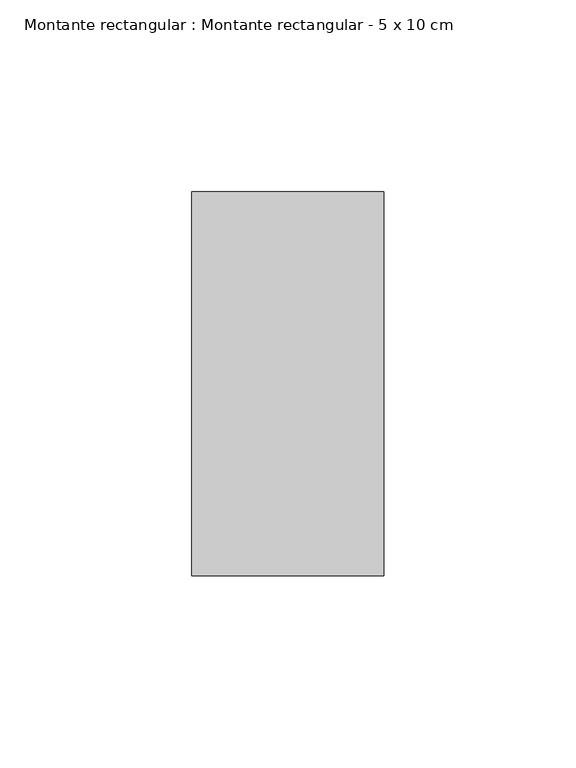
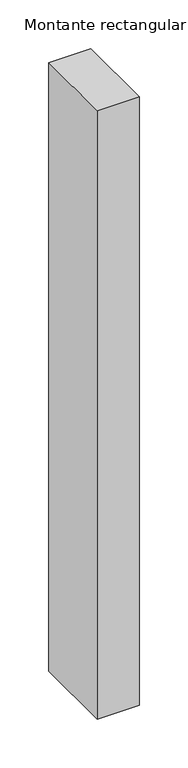
"""IFC4 building model written with IfcOpenShell, lengths in millimetres: member geometry, Montante rectangular : Montante rectangular - 5 x 10 cm."""

from ifc_helpers import new_model, si_unit, frame, origin, place, context, project, spatial, polyline, outline, extrude, source, transform, mapped, element, save


def montante_rectangular_montante_rectangular_5_x_10_cm_a13ec104(model_context):
    return source(origin(), model_context, "Body", "SweptSolid", [
        extrude(outline(polyline([(-50.0, 50.0), (0.0, 50.0), (0.0, -50.0), (-50.0, -50.0), (-50.0, 50.0)])), frame((0.0, 0.0, -764.0), z_axis=(0.0, 0.0, 1.0), x_axis=(1.0, 0.0, 0.0)), (0.0, 0.0, 1.0), 764.0),
    ])


if __name__ == "__main__":
    model = new_model("IFC4")
    model_context = context("Model", 3, world=origin())
    ifc_project = project(units=[si_unit("LENGTHUNIT", "METRE", prefix="MILLI")], contexts=[model_context])
    site = spatial("IfcSite", under=ifc_project)
    building = spatial("IfcBuilding", under=site)
    placement = place(None, origin())
    montante_rectangular_montante_rectangular_5_x_10_cm_shape = montante_rectangular_montante_rectangular_5_x_10_cm_a13ec104(model_context)
    element("IfcMember", 1, ObjectType="Montante rectangular : Montante rectangular - 5 x 10 cm", at=placement, inside=building, context=model_context, shape_type="MappedRepresentation", body=[
        mapped(montante_rectangular_montante_rectangular_5_x_10_cm_shape, transform((0.0, 0.0, 0.0), x_axis=(1.0, 0.0, 0.0), y_axis=(0.0, 1.0, 0.0), z_axis=(0.0, 0.0, 1.0))),
    ])
    save(model, "model.ifc")
